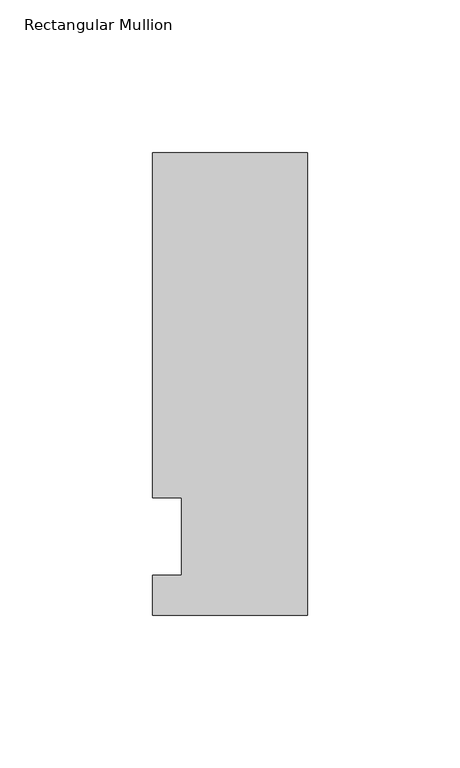
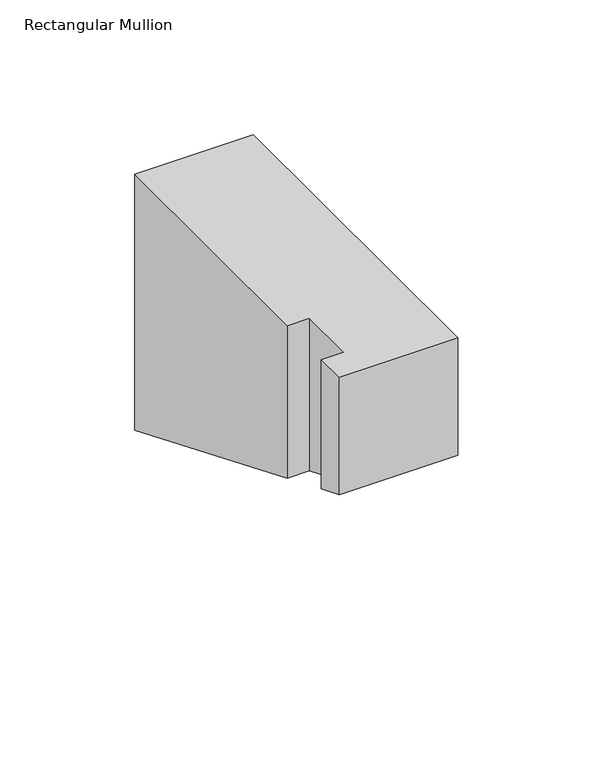
"""IFC4 building model written with IfcOpenShell, lengths in millimetres: member geometry, Rectangular Mullion."""

import ifcopenshell
import ifcopenshell.guid

model = None  # the IFC model being written
_history = None  # IfcOwnerHistory: only IFC2X3 demands one
_inside = {}  # id of a spatial element -> (the spatial element, [elements in it])
_under = {}  # id of a project, library or spatial element -> (it, [spatial elements below it])
_declared = {}  # id of a project -> (the project, [libraries it declares])
_typed = {}  # id of a type object -> (the type object, [elements of that type])
_made_of = {}  # id of a material, layer set ... -> (it, [elements and type objects made of it])


def new_model(schema):
    """Start an empty IFC model of exactly this schema.

    Asked for "IFC4X3", IfcOpenShell would pick the latest addendum, in which some entities
    have other attributes; the version numbers below select the first issue.
    IFC2X3 requires an IfcOwnerHistory on every rooted entity: one is made here for all.
    """
    global model, _history
    if schema == "IFC4X3":
        model = ifcopenshell.file(schema_version=(4, 3, 0, 0))
    else:
        model = ifcopenshell.file(schema=schema)
    _inside.clear()
    _under.clear()
    _declared.clear()
    _typed.clear()
    _made_of.clear()
    _history = None
    if model.schema == "IFC2X3":
        org = make("IfcOrganization", Name="unknown")
        user = make(
            "IfcPersonAndOrganization",
            ThePerson=make("IfcPerson", FamilyName="unknown"),
            TheOrganization=org,
        )
        app = make(
            "IfcApplication",
            ApplicationDeveloper=org,
            Version="unknown",
            ApplicationFullName="unknown",
            ApplicationIdentifier="unknown",
        )
        _history = make(
            "IfcOwnerHistory",
            OwningUser=user,
            OwningApplication=app,
            ChangeAction="ADDED",
            CreationDate=0,
        )
    return model


def make(cls, **values):
    """One entity of the class cls with the attributes given. An attribute that is None is left unset."""
    return model.create_entity(
        cls, **{name: value for name, value in values.items() if value is not None}
    )


def rooted(cls, **values):
    """An entity with a GlobalId (a new one), such as an element, a storey or a relation."""
    return make(cls, GlobalId=ifcopenshell.guid.new(), OwnerHistory=_history, **values)


def si_unit(unit_type, name, prefix=None):
    """IfcSIUnit, for example si_unit("LENGTHUNIT", "METRE", prefix="MILLI")."""
    return make("IfcSIUnit", UnitType=unit_type, Prefix=prefix, Name=name)


def assignment(units):
    """IfcUnitAssignment: the units of a project."""
    return None if units is None else make("IfcUnitAssignment", Units=units)


def point(xyz):
    """IfcCartesianPoint."""
    return None if xyz is None else make("IfcCartesianPoint", Coordinates=xyz)


def direction(xyz):
    """IfcDirection."""
    return None if xyz is None else make("IfcDirection", DirectionRatios=xyz)


def frame(location, z_axis=None, x_axis=None):
    """IfcAxis2Placement3D, a coordinate frame: its origin and axes. An axis left out is left unset."""
    return make(
        "IfcAxis2Placement3D",
        Location=point(location),
        Axis=direction(z_axis),
        RefDirection=direction(x_axis),
    )


def origin():
    """The frame at (0, 0, 0) with its axes left unset."""
    return frame((0.0, 0.0, 0.0))


def place(relative_to, where):
    """IfcLocalPlacement: puts the frame where relative to a parent placement (None: the world)."""
    return make(
        "IfcLocalPlacement", PlacementRelTo=relative_to, RelativePlacement=where
    )


def context(
    kind, dimensions, precision=None, world=None, true_north=None, identifier=None
):
    """IfcGeometricRepresentationContext, for example the 3D "Model" context."""
    return make(
        "IfcGeometricRepresentationContext",
        ContextIdentifier=identifier,
        ContextType=kind,
        CoordinateSpaceDimension=dimensions,
        Precision=precision,
        WorldCoordinateSystem=world,
        TrueNorth=true_north,
    )


def project(units=None, contexts=None):
    """IfcProject with its units and contexts."""
    return rooted(
        "IfcProject",
        Name="project",
        RepresentationContexts=contexts,
        UnitsInContext=assignment(units),
    )


def spatial(cls, under=None, at=None, **own):
    """A site, building, storey or space (cls), placed at a placement, below another one or the project."""
    s = rooted(cls, ObjectPlacement=at, **own)
    if under is not None:
        _under.setdefault(under.id(), (under, []))[1].append(s)
    return s


def faces_of(points, faces, orient=None, outer=None):
    """IfcFace entities. A face is a list of loops; a loop is a list of indices into points, from 0.

    orient and outer hold one flag for each loop. By default every Orientation is true, the
    first loop of a face is its IfcFaceOuterBound and the others are IfcFaceBound.
    """
    made = []
    for i, loops in enumerate(faces):
        bounds = []
        for j, loop in enumerate(loops):
            is_outer = j == 0 if outer is None else outer[i][j]
            bounds.append(
                make(
                    "IfcFaceOuterBound" if is_outer else "IfcFaceBound",
                    Bound=make("IfcPolyLoop", Polygon=[points[k] for k in loop]),
                    Orientation=True if orient is None else orient[i][j],
                )
            )
        made.append(make("IfcFace", Bounds=bounds))
    return made


def faceted_brep(points, faces, orient=None, outer=None, voids=None):
    """IfcFacetedBrep: a solid bounded by flat faces; with voids (closed shells), ...WithVoids."""
    shared = [point(p) for p in points]
    hull = make("IfcClosedShell", CfsFaces=faces_of(shared, faces, orient, outer))
    if voids is None:
        return make("IfcFacetedBrep", Outer=hull)
    return make(
        "IfcFacetedBrepWithVoids",
        Outer=hull,
        Voids=[
            make(cls, CfsFaces=faces_of(shared, fs, o, b)) for cls, fs, o, b in voids
        ],
    )


def shape(context_of_items, identifier, shape_type, items):
    """IfcShapeRepresentation: the items that make up one representation, for example the "Body"."""
    return make(
        "IfcShapeRepresentation",
        ContextOfItems=context_of_items,
        RepresentationIdentifier=identifier,
        RepresentationType=shape_type,
        Items=items,
    )


def source(mapping_origin, context_of_items, identifier, shape_type, items):
    """IfcRepresentationMap: a shape defined once, which mapped items show again and again."""
    return make(
        "IfcRepresentationMap",
        MappingOrigin=mapping_origin,
        MappedRepresentation=shape(context_of_items, identifier, shape_type, items),
    )


def transform(
    local_origin,
    x_axis=None,
    y_axis=None,
    z_axis=None,
    scale=None,
    scale2=None,
    scale3=None,
    uniform=True,
):
    """IfcCartesianTransformationOperator3D, or its non-uniform kind. x_axis, y_axis, z_axis: its Axis1, 2, 3."""
    if uniform:
        return make(
            "IfcCartesianTransformationOperator3D",
            Axis1=direction(x_axis),
            Axis2=direction(y_axis),
            LocalOrigin=point(local_origin),
            Scale=scale,
            Axis3=direction(z_axis),
        )
    return make(
        "IfcCartesianTransformationOperator3DnonUniform",
        Axis1=direction(x_axis),
        Axis2=direction(y_axis),
        LocalOrigin=point(local_origin),
        Scale=scale,
        Axis3=direction(z_axis),
        Scale2=scale2,
        Scale3=scale3,
    )


def mapped(mapping_source, mapping_target):
    """IfcMappedItem: shows the shape of a source again, moved by a transform."""
    return make(
        "IfcMappedItem", MappingSource=mapping_source, MappingTarget=mapping_target
    )


def made_of(thing, what):
    """Note that an element or type object is made of a material, layer set ...; save() writes the relation."""
    if what is not None:
        _made_of.setdefault(what.id(), (what, []))[1].append(thing)
    return thing


def element(
    cls,
    number,
    at=None,
    inside=None,
    cuts=None,
    type_object=None,
    material=None,
    context=None,
    identifier="Body",
    shape_type=None,
    held_by="IfcProductDefinitionShape",
    body=None,
    shapes=None,
    **own,
):
    """One element of the class cls, such as IfcWall. Its Tag is "e" and its number.

    at: its placement. inside: the storey or other place that contains it. cuts: it is an
    opening in that element (IfcRelVoidsElement). A single representation is given by context,
    identifier, shape_type and body (its items); several are given by shapes. held_by: the class
    of the entity that holds the representations. save() writes the other relations.
    """
    e = rooted(cls, Tag="e%d" % number, ObjectPlacement=at, **own)
    if body is not None:
        shapes = [shape(context, identifier, shape_type, body)]
    if shapes is not None:
        e.Representation = make(held_by, Representations=shapes)
    if inside is not None:
        _inside.setdefault(inside.id(), (inside, []))[1].append(e)
    if cuts is not None:
        rooted(
            "IfcRelVoidsElement", RelatingBuildingElement=cuts, RelatedOpeningElement=e
        )
    if type_object is not None:
        _typed.setdefault(type_object.id(), (type_object, []))[1].append(e)
    return made_of(e, material)


def aggregate(whole, parts):
    """IfcRelAggregates: a whole, such as a stair, and the parts it consists of."""
    return rooted("IfcRelAggregates", RelatingObject=whole, RelatedObjects=parts)


def save(model, path):
    """Write the relations noted so far, then the file.

    IfcRelAggregates (storeys below a building ...), IfcRelContainedInSpatialStructure (elements
    in a storey), IfcRelDefinesByType, IfcRelAssociatesMaterial and IfcRelDeclares: one each for
    every whole, place, type object, material and project.
    """
    for whole, parts in _under.values():
        aggregate(whole, parts)
    for where, things in _inside.values():
        rooted(
            "IfcRelContainedInSpatialStructure",
            RelatedElements=things,
            RelatingStructure=where,
        )
    for kind, things in _typed.values():
        rooted("IfcRelDefinesByType", RelatedObjects=things, RelatingType=kind)
    for what, things in _made_of.values():
        rooted("IfcRelAssociatesMaterial", RelatedObjects=things, RelatingMaterial=what)
    for by, libraries in _declared.values():
        rooted("IfcRelDeclares", RelatingContext=by, RelatedDefinitions=libraries)
    model.write(path)


def rectangular_mullion_a32f76ea(model_context):
    return source(origin(), model_context, "Body", "Brep", [
        faceted_brep([(-50.8, -25.7961253, 0.0), (0.0, -25.7961253, 0.0), (0.0, 125.8036906, 0.0), (-50.8, 125.8036906, 0.0), (-50.8, 12.7, 0.0), (-41.275, 12.7, 0.0), (-41.275, -12.7, 0.0), (-50.8, -12.7, 0.0), (-50.8, -25.7961253, -53.1757886), (0.0, -25.7961253, -53.1757886), (0.0, 125.8036906, -115.9704885), (-50.8, 125.8036906, -115.9704885), (-50.8, 12.7, -69.1214058), (-41.275, 12.7, -69.1214058), (-41.275, -12.7, -58.6003814), (-50.8, -12.7, -58.6003814)], [[[0, 1, 2, 3, 4, 5, 6, 7]], [[1, 0, 8, 9]], [[2, 1, 9, 10]], [[3, 2, 10, 11]], [[4, 3, 11, 12]], [[5, 4, 12, 13]], [[6, 5, 13, 14]], [[7, 6, 14, 15]], [[0, 7, 15, 8]], [[8, 15, 14, 13, 12, 11, 10, 9]]]),
    ])


if __name__ == "__main__":
    model = new_model("IFC4")
    model_context = context("Model", 3, world=origin())
    ifc_project = project(units=[si_unit("LENGTHUNIT", "METRE", prefix="MILLI")], contexts=[model_context])
    site = spatial("IfcSite", under=ifc_project)
    building = spatial("IfcBuilding", under=site)
    placement = place(None, origin())
    rectangular_mullion_shape = rectangular_mullion_a32f76ea(model_context)
    element("IfcMember", 1, ObjectType="Rectangular Mullion", at=placement, inside=building, context=model_context, shape_type="MappedRepresentation", body=[
        mapped(rectangular_mullion_shape, transform((0.0, 0.0, 0.0), x_axis=(1.0, 0.0, 0.0), y_axis=(0.0, 1.0, 0.0), z_axis=(0.0, 0.0, 1.0))),
    ])
    save(model, "model.ifc")
